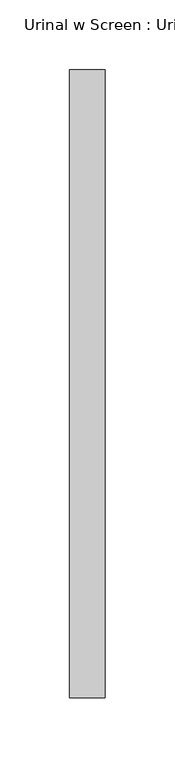
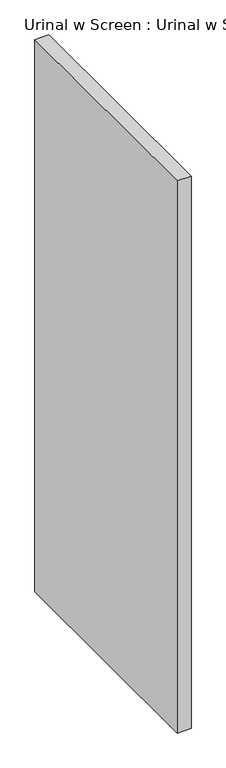
"""IFC4 building model written with IfcOpenShell, lengths in millimetres: flow terminal geometry, Urinal w Screen : Urinal w Screen."""

from ifc_helpers import new_model, si_unit, frame, origin, place, context, project, spatial, polyline, outline, extrude, source, transform, mapped, element, save


def urinal_w_screen_urinal_w_screen_c0549825(model_context):
    return source(origin(), model_context, "Body", "SweptSolid", [
        extrude(outline(polyline([(12.7, -55.0), (12.7, -505.0), (-12.7, -505.0), (-12.7, -55.0), (12.7, -55.0)])), frame((0.0, 0.0, 355.6), z_axis=(0.0, 0.0, 1.0), x_axis=(1.0, 0.0, 0.0)), (0.0, 0.0, 1.0), 1066.8),
    ])


if __name__ == "__main__":
    model = new_model("IFC4")
    model_context = context("Model", 3, world=origin())
    ifc_project = project(units=[si_unit("LENGTHUNIT", "METRE", prefix="MILLI")], contexts=[model_context])
    site = spatial("IfcSite", under=ifc_project)
    building = spatial("IfcBuilding", under=site)
    placement = place(None, origin())
    urinal_w_screen_urinal_w_screen_shape = urinal_w_screen_urinal_w_screen_c0549825(model_context)
    element("IfcFlowTerminal", 1, ObjectType="Urinal w Screen : Urinal w Screen", at=placement, inside=building, context=model_context, shape_type="MappedRepresentation", body=[
        mapped(urinal_w_screen_urinal_w_screen_shape, transform((0.0, 0.0, 0.0), x_axis=(1.0, 0.0, 0.0), y_axis=(0.0, 1.0, 0.0), z_axis=(0.0, 0.0, 1.0))),
    ])
    save(model, "model.ifc")
